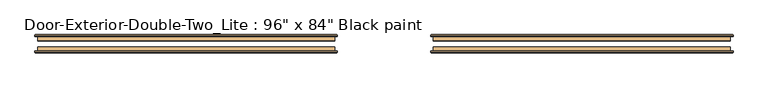
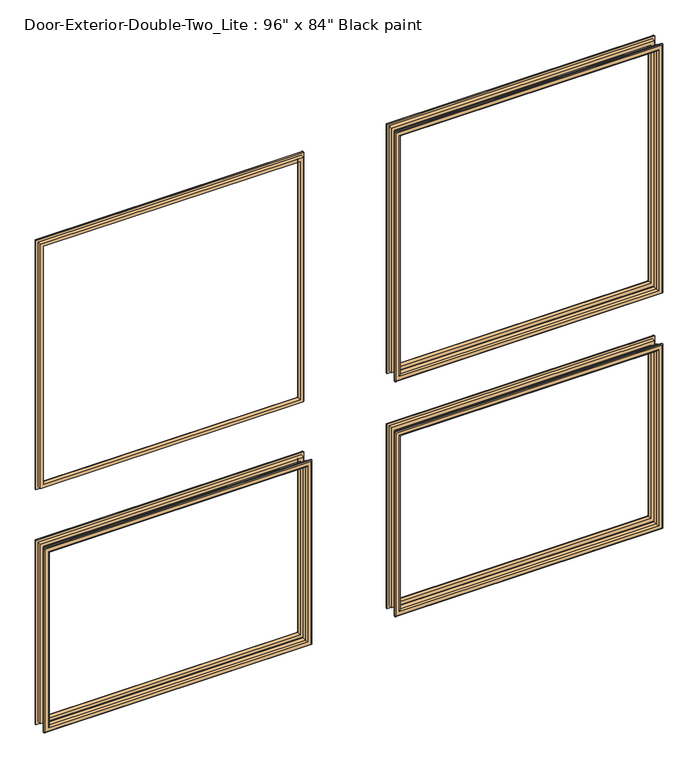
"""IFC4 building model written with IfcOpenShell, lengths in millimetres: door geometry."""

from ifc_helpers import new_model, si_unit, frame, origin, place, context, project, spatial, ellipse_curve, source, transform, mapped, element, save
from ifc_brep_helpers import plane_surface, cylinder_surface, advanced_brep


def door_00a93619(model_context):
    return source(origin(), model_context, "Body", "AdvancedBrep", [
        advanced_brep(
        [(-1066.8, 131.7625, 914.4), (-1066.8, 144.4625, 914.4), (-1066.8, 144.4625, 254.0), (-1066.8, 131.7625, 254.0), (-1054.8, 145.4625, 902.4), (-1054.8, 131.7625, 902.4), (-1054.8, 131.7625, 266.0), (-1054.8, 145.4625, 266.0), (-1059.8, 150.4625, 907.4), (-1059.8, 150.4625, 261.0), (-1074.8, 148.4625, 922.4), (-1072.8, 150.4625, 920.4), (-1072.8, 150.4625, 248.0), (-1074.8, 148.4625, 246.0), (-1074.8, 144.4625, 922.4), (-1074.8, 144.4625, 246.0), (-152.4, 144.4625, 254.0), (-152.4, 131.7625, 254.0), (-164.4, 131.7625, 266.0), (-164.4, 145.4625, 266.0), (-159.4, 150.4625, 261.0), (-146.4, 150.4625, 248.0), (-144.4, 148.4625, 246.0), (-144.4, 144.4625, 246.0), (-152.4, 144.4625, 914.4), (-152.4, 131.7625, 914.4), (-164.4, 131.7625, 902.4), (-164.4, 145.4625, 902.4), (-159.4, 150.4625, 907.4), (-146.4, 150.4625, 920.4), (-144.4, 148.4625, 922.4), (-144.4, 144.4625, 922.4)],
        [
            (0, 1),
            (1, 2),
            (2, 3),
            (3, 0),
            (4, 5),
            (5, 6),
            (6, 7),
            (7, 4),
            (8, 4, ellipse_curve(frame((-1059.8, 145.4625, 907.4), z_axis=(-0.7071067811865475, 0.0, -0.7071067811865475), x_axis=(-0.7071067811865474, 0.0, 0.7071067811865476)), 7.0710678, 5.0)),
            (7, 9, ellipse_curve(frame((-1059.8, 145.4625, 261.0), z_axis=(-0.7071067811865475, 0.0, 0.7071067811865475), x_axis=(0.7071067811865474, 0.0, 0.7071067811865476)), 7.0710678, 5.0)),
            (9, 8),
            (10, 11, ellipse_curve(frame((-1072.8, 148.4625, 920.4), z_axis=(-0.7071067811865475, 0.0, -0.7071067811865475), x_axis=(-0.7071067811865474, 0.0, 0.7071067811865476)), 2.8284271, 2.0)),
            (11, 12),
            (12, 13, ellipse_curve(frame((-1072.8, 148.4625, 248.0), z_axis=(-0.7071067811865475, 0.0, 0.7071067811865475), x_axis=(0.7071067811865474, 0.0, 0.7071067811865476)), 2.8284271, 2.0)),
            (13, 10),
            (14, 10),
            (13, 15),
            (15, 14),
            (2, 16),
            (16, 17),
            (17, 3),
            (6, 18),
            (18, 19),
            (19, 7),
            (19, 20, ellipse_curve(frame((-159.4, 145.4625, 261.0), z_axis=(-0.7071067811865475, 0.0, -0.7071067811865475), x_axis=(-0.7071067811865476, 0.0, 0.7071067811865474)), 7.0710678, 5.0)),
            (20, 9),
            (12, 21),
            (21, 22, ellipse_curve(frame((-146.4, 148.4625, 248.0), z_axis=(-0.7071067811865475, 0.0, -0.7071067811865475), x_axis=(-0.7071067811865476, 0.0, 0.7071067811865474)), 2.8284271, 2.0)),
            (22, 13),
            (22, 23),
            (23, 15),
            (16, 24),
            (24, 25),
            (25, 17),
            (18, 26),
            (26, 27),
            (27, 19),
            (27, 28, ellipse_curve(frame((-159.4, 145.4625, 907.4), z_axis=(0.7071067811865475, 0.0, -0.7071067811865475), x_axis=(-0.7071067811865474, 0.0, -0.7071067811865476)), 7.0710678, 5.0)),
            (28, 20),
            (21, 29),
            (29, 30, ellipse_curve(frame((-146.4, 148.4625, 920.4), z_axis=(0.7071067811865475, 0.0, -0.7071067811865475), x_axis=(-0.7071067811865474, 0.0, -0.7071067811865476)), 2.8284271, 2.0)),
            (30, 22),
            (30, 31),
            (31, 23),
            (31, 14),
            (1, 24),
            (0, 25),
            (5, 26),
            (4, 27),
            (8, 28),
            (11, 29),
            (10, 30),
        ],
        [
            plane_surface(frame((-1066.8, 144.4625, 914.4), z_axis=(-1.0, 0.0, 0.0), x_axis=(0.0, 0.0, -1.0))),
            plane_surface(frame((-1054.8, 131.7625, 902.4), z_axis=(1.0, 0.0, 0.0), x_axis=(0.0, 0.0, -1.0))),
            cylinder_surface(frame((-1059.8, 145.4625, 914.4), z_axis=(0.0, 0.0, 1.0), x_axis=(-1.0, 0.0, 0.0)), 5.0),
            cylinder_surface(frame((-1072.8, 148.4625, 914.4), z_axis=(0.0, 0.0, 1.0), x_axis=(-1.0, 0.0, 0.0)), 2.0),
            plane_surface(frame((-1074.8, 148.4625, 922.4), z_axis=(-1.0, 0.0, 0.0), x_axis=(0.0, 0.0, -1.0))),
            plane_surface(frame((-1066.8, 144.4625, 254.0), z_axis=(0.0, 0.0, -1.0), x_axis=(1.0, 0.0, 0.0))),
            plane_surface(frame((-1054.8, 131.7625, 266.0), z_axis=(0.0, 0.0, 1.0), x_axis=(1.0, 0.0, 0.0))),
            cylinder_surface(frame((-1066.8, 145.4625, 261.0), z_axis=(-1.0, 0.0, 0.0), x_axis=(0.0, 0.0, -1.0)), 5.0),
            cylinder_surface(frame((-1066.8, 148.4625, 248.0), z_axis=(-1.0, 0.0, 0.0), x_axis=(0.0, 0.0, -1.0)), 2.0),
            plane_surface(frame((-1074.8, 148.4625, 246.0), z_axis=(0.0, 0.0, -1.0), x_axis=(1.0, 0.0, 0.0))),
            plane_surface(frame((-152.4, 144.4625, 254.0), z_axis=(1.0, 0.0, 0.0), x_axis=(0.0, 0.0, 1.0))),
            plane_surface(frame((-164.4, 131.7625, 266.0), z_axis=(-1.0, 0.0, 0.0), x_axis=(0.0, 0.0, 1.0))),
            cylinder_surface(frame((-159.4, 145.4625, 254.0), z_axis=(0.0, 0.0, -1.0), x_axis=(1.0, 0.0, 0.0)), 5.0),
            cylinder_surface(frame((-146.4, 148.4625, 254.0), z_axis=(0.0, 0.0, -1.0), x_axis=(1.0, 0.0, 0.0)), 2.0),
            plane_surface(frame((-144.4, 148.4625, 246.0), z_axis=(1.0, 0.0, 0.0), x_axis=(0.0, 0.0, 1.0))),
            plane_surface(frame((-144.4, 144.4625, 922.4), z_axis=(0.0, -1.0, 0.0), x_axis=(-1.0, 0.0, 0.0))),
            plane_surface(frame((-152.4, 144.4625, 914.4), z_axis=(0.0, 0.0, 1.0), x_axis=(-1.0, 0.0, 0.0))),
            plane_surface(frame((-152.4, 131.7625, 914.4), z_axis=(0.0, -1.0, 0.0), x_axis=(-1.0, 0.0, 0.0))),
            plane_surface(frame((-164.4, 131.7625, 902.4), z_axis=(0.0, 0.0, -1.0), x_axis=(-1.0, 0.0, 0.0))),
            cylinder_surface(frame((-152.4, 145.4625, 907.4), z_axis=(1.0, 0.0, 0.0), x_axis=(0.0, 0.0, 1.0)), 5.0),
            plane_surface(frame((-159.4, 150.4625, 907.4), z_axis=(0.0, 1.0, 0.0), x_axis=(-1.0, 0.0, 0.0))),
            cylinder_surface(frame((-152.4, 148.4625, 920.4), z_axis=(1.0, 0.0, 0.0), x_axis=(0.0, 0.0, 1.0)), 2.0),
            plane_surface(frame((-144.4, 148.4625, 922.4), z_axis=(0.0, 0.0, 1.0), x_axis=(-1.0, 0.0, 0.0))),
        ],
        [
            (0, [[1, 2, 3, 4]]),
            (1, [[5, 6, 7, 8]]),
            (2, [[9, -8, 10, 11]]),
            (3, [[12, 13, 14, 15]]),
            (4, [[16, -15, 17, 18]]),
            (5, [[-3, 19, 20, 21]]),
            (6, [[-7, 22, 23, 24]]),
            (7, [[-10, -24, 25, 26]]),
            (8, [[-14, 27, 28, 29]]),
            (9, [[-17, -29, 30, 31]]),
            (10, [[-20, 32, 33, 34]]),
            (11, [[-23, 35, 36, 37]]),
            (12, [[-25, -37, 38, 39]]),
            (13, [[-28, 40, 41, 42]]),
            (14, [[-30, -42, 43, 44]]),
            (15, [[-31, -44, 45, -18], [46, -32, -19, -2]]),
            (16, [[-33, -46, -1, 47]]),
            (17, [[-21, -34, -47, -4], [48, -35, -22, -6]]),
            (18, [[-36, -48, -5, 49]]),
            (19, [[-38, -49, -9, 50]]),
            (20, [[51, -40, -27, -13], [-26, -39, -50, -11]]),
            (21, [[-41, -51, -12, 52]]),
            (22, [[-43, -52, -16, -45]]),
        ],
    ),
        advanced_brep(
        [(152.4, 131.7625, 914.4), (152.4, 144.4625, 914.4), (152.4, 144.4625, 254.0), (152.4, 131.7625, 254.0), (164.4, 145.4625, 902.4), (164.4, 131.7625, 902.4), (164.4, 131.7625, 266.0), (164.4, 145.4625, 266.0), (159.4, 150.4625, 907.4), (159.4, 150.4625, 261.0), (144.4, 148.4625, 922.4), (146.4, 150.4625, 920.4), (146.4, 150.4625, 248.0), (144.4, 148.4625, 246.0), (144.4, 144.4625, 922.4), (144.4, 144.4625, 246.0), (1066.8, 144.4625, 254.0), (1066.8, 131.7625, 254.0), (1054.8, 131.7625, 266.0), (1054.8, 145.4625, 266.0), (1059.8, 150.4625, 261.0), (1072.8, 150.4625, 248.0), (1074.8, 148.4625, 246.0), (1074.8, 144.4625, 246.0), (1066.8, 144.4625, 914.4), (1066.8, 131.7625, 914.4), (1054.8, 131.7625, 902.4), (1054.8, 145.4625, 902.4), (1059.8, 150.4625, 907.4), (1072.8, 150.4625, 920.4), (1074.8, 148.4625, 922.4), (1074.8, 144.4625, 922.4)],
        [
            (0, 1),
            (1, 2),
            (2, 3),
            (3, 0),
            (4, 5),
            (5, 6),
            (6, 7),
            (7, 4),
            (8, 4, ellipse_curve(frame((159.4, 145.4625, 907.4), z_axis=(-0.7071067811865475, 0.0, -0.7071067811865475), x_axis=(-0.7071067811865474, 0.0, 0.7071067811865476)), 7.0710678, 5.0)),
            (7, 9, ellipse_curve(frame((159.4, 145.4625, 261.0), z_axis=(-0.7071067811865475, 0.0, 0.7071067811865475), x_axis=(0.7071067811865474, 0.0, 0.7071067811865476)), 7.0710678, 5.0)),
            (9, 8),
            (10, 11, ellipse_curve(frame((146.4, 148.4625, 920.4), z_axis=(-0.7071067811865475, 0.0, -0.7071067811865475), x_axis=(-0.7071067811865474, 0.0, 0.7071067811865476)), 2.8284271, 2.0)),
            (11, 12),
            (12, 13, ellipse_curve(frame((146.4, 148.4625, 248.0), z_axis=(-0.7071067811865475, 0.0, 0.7071067811865475), x_axis=(0.7071067811865474, 0.0, 0.7071067811865476)), 2.8284271, 2.0)),
            (13, 10),
            (14, 10),
            (13, 15),
            (15, 14),
            (2, 16),
            (16, 17),
            (17, 3),
            (6, 18),
            (18, 19),
            (19, 7),
            (19, 20, ellipse_curve(frame((1059.8, 145.4625, 261.0), z_axis=(-0.7071067811865475, 0.0, -0.7071067811865475), x_axis=(-0.7071067811865476, 0.0, 0.7071067811865474)), 7.0710678, 5.0)),
            (20, 9),
            (12, 21),
            (21, 22, ellipse_curve(frame((1072.8, 148.4625, 248.0), z_axis=(-0.7071067811865475, 0.0, -0.7071067811865475), x_axis=(-0.7071067811865476, 0.0, 0.7071067811865474)), 2.8284271, 2.0)),
            (22, 13),
            (22, 23),
            (23, 15),
            (16, 24),
            (24, 25),
            (25, 17),
            (18, 26),
            (26, 27),
            (27, 19),
            (27, 28, ellipse_curve(frame((1059.8, 145.4625, 907.4), z_axis=(0.7071067811865475, 0.0, -0.7071067811865475), x_axis=(-0.7071067811865474, 0.0, -0.7071067811865476)), 7.0710678, 5.0)),
            (28, 20),
            (21, 29),
            (29, 30, ellipse_curve(frame((1072.8, 148.4625, 920.4), z_axis=(0.7071067811865475, 0.0, -0.7071067811865475), x_axis=(-0.7071067811865474, 0.0, -0.7071067811865476)), 2.8284271, 2.0)),
            (30, 22),
            (30, 31),
            (31, 23),
            (31, 14),
            (1, 24),
            (0, 25),
            (5, 26),
            (4, 27),
            (8, 28),
            (11, 29),
            (10, 30),
        ],
        [
            plane_surface(frame((152.4, 144.4625, 914.4), z_axis=(-1.0, 0.0, 0.0), x_axis=(0.0, 0.0, -1.0))),
            plane_surface(frame((164.4, 131.7625, 902.4), z_axis=(1.0, 0.0, 0.0), x_axis=(0.0, 0.0, -1.0))),
            cylinder_surface(frame((159.4, 145.4625, 914.4), z_axis=(0.0, 0.0, 1.0), x_axis=(-1.0, 0.0, 0.0)), 5.0),
            cylinder_surface(frame((146.4, 148.4625, 914.4), z_axis=(0.0, 0.0, 1.0), x_axis=(-1.0, 0.0, 0.0)), 2.0),
            plane_surface(frame((144.4, 148.4625, 922.4), z_axis=(-1.0, 0.0, 0.0), x_axis=(0.0, 0.0, -1.0))),
            plane_surface(frame((152.4, 144.4625, 254.0), z_axis=(0.0, 0.0, -1.0), x_axis=(1.0, 0.0, 0.0))),
            plane_surface(frame((164.4, 131.7625, 266.0), z_axis=(0.0, 0.0, 1.0), x_axis=(1.0, 0.0, 0.0))),
            cylinder_surface(frame((152.4, 145.4625, 261.0), z_axis=(-1.0, 0.0, 0.0), x_axis=(0.0, 0.0, -1.0)), 5.0),
            cylinder_surface(frame((152.4, 148.4625, 248.0), z_axis=(-1.0, 0.0, 0.0), x_axis=(0.0, 0.0, -1.0)), 2.0),
            plane_surface(frame((144.4, 148.4625, 246.0), z_axis=(0.0, 0.0, -1.0), x_axis=(1.0, 0.0, 0.0))),
            plane_surface(frame((1066.8, 144.4625, 254.0), z_axis=(1.0, 0.0, 0.0), x_axis=(0.0, 0.0, 1.0))),
            plane_surface(frame((1054.8, 131.7625, 266.0), z_axis=(-1.0, 0.0, 0.0), x_axis=(0.0, 0.0, 1.0))),
            cylinder_surface(frame((1059.8, 145.4625, 254.0), z_axis=(0.0, 0.0, -1.0), x_axis=(1.0, 0.0, 0.0)), 5.0),
            cylinder_surface(frame((1072.8, 148.4625, 254.0), z_axis=(0.0, 0.0, -1.0), x_axis=(1.0, 0.0, 0.0)), 2.0),
            plane_surface(frame((1074.8, 148.4625, 246.0), z_axis=(1.0, 0.0, 0.0), x_axis=(0.0, 0.0, 1.0))),
            plane_surface(frame((1074.8, 144.4625, 922.4), z_axis=(0.0, -1.0, 0.0), x_axis=(-1.0, 0.0, 0.0))),
            plane_surface(frame((1066.8, 144.4625, 914.4), z_axis=(0.0, 0.0, 1.0), x_axis=(-1.0, 0.0, 0.0))),
            plane_surface(frame((1066.8, 131.7625, 914.4), z_axis=(0.0, -1.0, 0.0), x_axis=(-1.0, 0.0, 0.0))),
            plane_surface(frame((1054.8, 131.7625, 902.4), z_axis=(0.0, 0.0, -1.0), x_axis=(-1.0, 0.0, 0.0))),
            cylinder_surface(frame((1066.8, 145.4625, 907.4), z_axis=(1.0, 0.0, 0.0), x_axis=(0.0, 0.0, 1.0)), 5.0),
            plane_surface(frame((1059.8, 150.4625, 907.4), z_axis=(0.0, 1.0, 0.0), x_axis=(-1.0, 0.0, 0.0))),
            cylinder_surface(frame((1066.8, 148.4625, 920.4), z_axis=(1.0, 0.0, 0.0), x_axis=(0.0, 0.0, 1.0)), 2.0),
            plane_surface(frame((1074.8, 148.4625, 922.4), z_axis=(0.0, 0.0, 1.0), x_axis=(-1.0, 0.0, 0.0))),
        ],
        [
            (0, [[1, 2, 3, 4]]),
            (1, [[5, 6, 7, 8]]),
            (2, [[9, -8, 10, 11]]),
            (3, [[12, 13, 14, 15]]),
            (4, [[16, -15, 17, 18]]),
            (5, [[-3, 19, 20, 21]]),
            (6, [[-7, 22, 23, 24]]),
            (7, [[-10, -24, 25, 26]]),
            (8, [[-14, 27, 28, 29]]),
            (9, [[-17, -29, 30, 31]]),
            (10, [[-20, 32, 33, 34]]),
            (11, [[-23, 35, 36, 37]]),
            (12, [[-25, -37, 38, 39]]),
            (13, [[-28, 40, 41, 42]]),
            (14, [[-30, -42, 43, 44]]),
            (15, [[-31, -44, 45, -18], [46, -32, -19, -2]]),
            (16, [[-33, -46, -1, 47]]),
            (17, [[-21, -34, -47, -4], [48, -35, -22, -6]]),
            (18, [[-36, -48, -5, 49]]),
            (19, [[-38, -49, -9, 50]]),
            (20, [[51, -40, -27, -13], [-26, -39, -50, -11]]),
            (21, [[-41, -51, -12, 52]]),
            (22, [[-43, -52, -16, -45]]),
        ],
    ),
        advanced_brep(
        [(152.4, 131.7625, 2016.125), (152.4, 144.4625, 2016.125), (152.4, 144.4625, 1117.6), (152.4, 131.7625, 1117.6), (164.4, 145.4625, 2004.125), (164.4, 131.7625, 2004.125), (164.4, 131.7625, 1129.6), (164.4, 145.4625, 1129.6), (159.4, 150.4625, 2009.125), (159.4, 150.4625, 1124.6), (144.4, 148.4625, 2024.125), (146.4, 150.4625, 2022.125), (146.4, 150.4625, 1111.6), (144.4, 148.4625, 1109.6), (144.4, 144.4625, 2024.125), (144.4, 144.4625, 1109.6), (1066.8, 144.4625, 1117.6), (1066.8, 131.7625, 1117.6), (1054.8, 131.7625, 1129.6), (1054.8, 145.4625, 1129.6), (1059.8, 150.4625, 1124.6), (1072.8, 150.4625, 1111.6), (1074.8, 148.4625, 1109.6), (1074.8, 144.4625, 1109.6), (1066.8, 144.4625, 2016.125), (1066.8, 131.7625, 2016.125), (1054.8, 131.7625, 2004.125), (1054.8, 145.4625, 2004.125), (1059.8, 150.4625, 2009.125), (1072.8, 150.4625, 2022.125), (1074.8, 148.4625, 2024.125), (1074.8, 144.4625, 2024.125)],
        [
            (0, 1),
            (1, 2),
            (2, 3),
            (3, 0),
            (4, 5),
            (5, 6),
            (6, 7),
            (7, 4),
            (8, 4, ellipse_curve(frame((159.4, 145.4625, 2009.125), z_axis=(-0.7071067811865475, 0.0, -0.7071067811865475), x_axis=(-0.7071067811865474, 0.0, 0.7071067811865476)), 7.0710678, 5.0)),
            (7, 9, ellipse_curve(frame((159.4, 145.4625, 1124.6), z_axis=(-0.7071067811865475, 0.0, 0.7071067811865475), x_axis=(0.7071067811865474, 0.0, 0.7071067811865476)), 7.0710678, 5.0)),
            (9, 8),
            (10, 11, ellipse_curve(frame((146.4, 148.4625, 2022.125), z_axis=(-0.7071067811865475, 0.0, -0.7071067811865475), x_axis=(-0.7071067811865474, 0.0, 0.7071067811865476)), 2.8284271, 2.0)),
            (11, 12),
            (12, 13, ellipse_curve(frame((146.4, 148.4625, 1111.6), z_axis=(-0.7071067811865475, 0.0, 0.7071067811865475), x_axis=(0.7071067811865474, 0.0, 0.7071067811865476)), 2.8284271, 2.0)),
            (13, 10),
            (14, 10),
            (13, 15),
            (15, 14),
            (2, 16),
            (16, 17),
            (17, 3),
            (6, 18),
            (18, 19),
            (19, 7),
            (19, 20, ellipse_curve(frame((1059.8, 145.4625, 1124.6), z_axis=(-0.7071067811865475, 0.0, -0.7071067811865475), x_axis=(-0.7071067811865476, 0.0, 0.7071067811865474)), 7.0710678, 5.0)),
            (20, 9),
            (12, 21),
            (21, 22, ellipse_curve(frame((1072.8, 148.4625, 1111.6), z_axis=(-0.7071067811865475, 0.0, -0.7071067811865475), x_axis=(-0.7071067811865476, 0.0, 0.7071067811865474)), 2.8284271, 2.0)),
            (22, 13),
            (22, 23),
            (23, 15),
            (16, 24),
            (24, 25),
            (25, 17),
            (18, 26),
            (26, 27),
            (27, 19),
            (27, 28, ellipse_curve(frame((1059.8, 145.4625, 2009.125), z_axis=(0.7071067811865475, 0.0, -0.7071067811865475), x_axis=(-0.7071067811865474, 0.0, -0.7071067811865476)), 7.0710678, 5.0)),
            (28, 20),
            (21, 29),
            (29, 30, ellipse_curve(frame((1072.8, 148.4625, 2022.125), z_axis=(0.7071067811865475, 0.0, -0.7071067811865475), x_axis=(-0.7071067811865474, 0.0, -0.7071067811865476)), 2.8284271, 2.0)),
            (30, 22),
            (30, 31),
            (31, 23),
            (31, 14),
            (1, 24),
            (0, 25),
            (5, 26),
            (4, 27),
            (8, 28),
            (11, 29),
            (10, 30),
        ],
        [
            plane_surface(frame((152.4, 144.4625, 2016.125), z_axis=(-1.0, 0.0, 0.0), x_axis=(0.0, 0.0, -1.0))),
            plane_surface(frame((164.4, 131.7625, 2004.125), z_axis=(1.0, 0.0, 0.0), x_axis=(0.0, 0.0, -1.0))),
            cylinder_surface(frame((159.4, 145.4625, 2016.125), z_axis=(0.0, 0.0, 1.0), x_axis=(-1.0, 0.0, 0.0)), 5.0),
            cylinder_surface(frame((146.4, 148.4625, 2016.125), z_axis=(0.0, 0.0, 1.0), x_axis=(-1.0, 0.0, 0.0)), 2.0),
            plane_surface(frame((144.4, 148.4625, 2024.125), z_axis=(-1.0, 0.0, 0.0), x_axis=(0.0, 0.0, -1.0))),
            plane_surface(frame((152.4, 144.4625, 1117.6), z_axis=(0.0, 0.0, -1.0), x_axis=(1.0, 0.0, 0.0))),
            plane_surface(frame((164.4, 131.7625, 1129.6), z_axis=(0.0, 0.0, 1.0), x_axis=(1.0, 0.0, 0.0))),
            cylinder_surface(frame((152.4, 145.4625, 1124.6), z_axis=(-1.0, 0.0, 0.0), x_axis=(0.0, 0.0, -1.0)), 5.0),
            cylinder_surface(frame((152.4, 148.4625, 1111.6), z_axis=(-1.0, 0.0, 0.0), x_axis=(0.0, 0.0, -1.0)), 2.0),
            plane_surface(frame((144.4, 148.4625, 1109.6), z_axis=(0.0, 0.0, -1.0), x_axis=(1.0, 0.0, 0.0))),
            plane_surface(frame((1066.8, 144.4625, 1117.6), z_axis=(1.0, 0.0, 0.0), x_axis=(0.0, 0.0, 1.0))),
            plane_surface(frame((1054.8, 131.7625, 1129.6), z_axis=(-1.0, 0.0, 0.0), x_axis=(0.0, 0.0, 1.0))),
            cylinder_surface(frame((1059.8, 145.4625, 1117.6), z_axis=(0.0, 0.0, -1.0), x_axis=(1.0, 0.0, 0.0)), 5.0),
            cylinder_surface(frame((1072.8, 148.4625, 1117.6), z_axis=(0.0, 0.0, -1.0), x_axis=(1.0, 0.0, 0.0)), 2.0),
            plane_surface(frame((1074.8, 148.4625, 1109.6), z_axis=(1.0, 0.0, 0.0), x_axis=(0.0, 0.0, 1.0))),
            plane_surface(frame((1074.8, 144.4625, 2024.125), z_axis=(0.0, -1.0, 0.0), x_axis=(-1.0, 0.0, 0.0))),
            plane_surface(frame((1066.8, 144.4625, 2016.125), z_axis=(0.0, 0.0, 1.0), x_axis=(-1.0, 0.0, 0.0))),
            plane_surface(frame((1066.8, 131.7625, 2016.125), z_axis=(0.0, -1.0, 0.0), x_axis=(-1.0, 0.0, 0.0))),
            plane_surface(frame((1054.8, 131.7625, 2004.125), z_axis=(0.0, 0.0, -1.0), x_axis=(-1.0, 0.0, 0.0))),
            cylinder_surface(frame((1066.8, 145.4625, 2009.125), z_axis=(1.0, 0.0, 0.0), x_axis=(0.0, 0.0, 1.0)), 5.0),
            plane_surface(frame((1059.8, 150.4625, 2009.125), z_axis=(0.0, 1.0, 0.0), x_axis=(-1.0, 0.0, 0.0))),
            cylinder_surface(frame((1066.8, 148.4625, 2022.125), z_axis=(1.0, 0.0, 0.0), x_axis=(0.0, 0.0, 1.0)), 2.0),
            plane_surface(frame((1074.8, 148.4625, 2024.125), z_axis=(0.0, 0.0, 1.0), x_axis=(-1.0, 0.0, 0.0))),
        ],
        [
            (0, [[1, 2, 3, 4]]),
            (1, [[5, 6, 7, 8]]),
            (2, [[9, -8, 10, 11]]),
            (3, [[12, 13, 14, 15]]),
            (4, [[16, -15, 17, 18]]),
            (5, [[-3, 19, 20, 21]]),
            (6, [[-7, 22, 23, 24]]),
            (7, [[-10, -24, 25, 26]]),
            (8, [[-14, 27, 28, 29]]),
            (9, [[-17, -29, 30, 31]]),
            (10, [[-20, 32, 33, 34]]),
            (11, [[-23, 35, 36, 37]]),
            (12, [[-25, -37, 38, 39]]),
            (13, [[-28, 40, 41, 42]]),
            (14, [[-30, -42, 43, 44]]),
            (15, [[-31, -44, 45, -18], [46, -32, -19, -2]]),
            (16, [[-33, -46, -1, 47]]),
            (17, [[-21, -34, -47, -4], [48, -35, -22, -6]]),
            (18, [[-36, -48, -5, 49]]),
            (19, [[-38, -49, -9, 50]]),
            (20, [[51, -40, -27, -13], [-26, -39, -50, -11]]),
            (21, [[-41, -51, -12, 52]]),
            (22, [[-43, -52, -16, -45]]),
        ],
    ),
        advanced_brep(
        [(-1066.8, 131.7625, 2016.125), (-1066.8, 144.4625, 2016.125), (-1066.8, 144.4625, 1117.6), (-1066.8, 131.7625, 1117.6), (-1054.8, 145.4625, 2004.125), (-1054.8, 131.7625, 2004.125), (-1054.8, 131.7625, 1129.6), (-1054.8, 145.4625, 1129.6), (-1059.8, 150.4625, 2009.125), (-1059.8, 150.4625, 1124.6), (-1074.8, 148.4625, 2024.125), (-1072.8, 150.4625, 2022.125), (-1072.8, 150.4625, 1111.6), (-1074.8, 148.4625, 1109.6), (-1074.8, 144.4625, 2024.125), (-1074.8, 144.4625, 1109.6), (-152.4, 144.4625, 1117.6), (-152.4, 131.7625, 1117.6), (-164.4, 131.7625, 1129.6), (-164.4, 145.4625, 1129.6), (-159.4, 150.4625, 1124.6), (-146.4, 150.4625, 1111.6), (-144.4, 148.4625, 1109.6), (-144.4, 144.4625, 1109.6), (-152.4, 144.4625, 2016.125), (-152.4, 131.7625, 2016.125), (-164.4, 131.7625, 2004.125), (-164.4, 145.4625, 2004.125), (-159.4, 150.4625, 2009.125), (-146.4, 150.4625, 2022.125), (-144.4, 148.4625, 2024.125), (-144.4, 144.4625, 2024.125)],
        [
            (0, 1),
            (1, 2),
            (2, 3),
            (3, 0),
            (4, 5),
            (5, 6),
            (6, 7),
            (7, 4),
            (8, 4, ellipse_curve(frame((-1059.8, 145.4625, 2009.125), z_axis=(-0.7071067811865475, 0.0, -0.7071067811865475), x_axis=(-0.7071067811865474, 0.0, 0.7071067811865476)), 7.0710678, 5.0)),
            (7, 9, ellipse_curve(frame((-1059.8, 145.4625, 1124.6), z_axis=(-0.7071067811865475, 0.0, 0.7071067811865475), x_axis=(0.7071067811865474, 0.0, 0.7071067811865476)), 7.0710678, 5.0)),
            (9, 8),
            (10, 11, ellipse_curve(frame((-1072.8, 148.4625, 2022.125), z_axis=(-0.7071067811865475, 0.0, -0.7071067811865475), x_axis=(-0.7071067811865474, 0.0, 0.7071067811865476)), 2.8284271, 2.0)),
            (11, 12),
            (12, 13, ellipse_curve(frame((-1072.8, 148.4625, 1111.6), z_axis=(-0.7071067811865475, 0.0, 0.7071067811865475), x_axis=(0.7071067811865474, 0.0, 0.7071067811865476)), 2.8284271, 2.0)),
            (13, 10),
            (14, 10),
            (13, 15),
            (15, 14),
            (2, 16),
            (16, 17),
            (17, 3),
            (6, 18),
            (18, 19),
            (19, 7),
            (19, 20, ellipse_curve(frame((-159.4, 145.4625, 1124.6), z_axis=(-0.7071067811865475, 0.0, -0.7071067811865475), x_axis=(-0.7071067811865476, 0.0, 0.7071067811865474)), 7.0710678, 5.0)),
            (20, 9),
            (12, 21),
            (21, 22, ellipse_curve(frame((-146.4, 148.4625, 1111.6), z_axis=(-0.7071067811865475, 0.0, -0.7071067811865475), x_axis=(-0.7071067811865476, 0.0, 0.7071067811865474)), 2.8284271, 2.0)),
            (22, 13),
            (22, 23),
            (23, 15),
            (16, 24),
            (24, 25),
            (25, 17),
            (18, 26),
            (26, 27),
            (27, 19),
            (27, 28, ellipse_curve(frame((-159.4, 145.4625, 2009.125), z_axis=(0.7071067811865475, 0.0, -0.7071067811865475), x_axis=(-0.7071067811865474, 0.0, -0.7071067811865476)), 7.0710678, 5.0)),
            (28, 20),
            (21, 29),
            (29, 30, ellipse_curve(frame((-146.4, 148.4625, 2022.125), z_axis=(0.7071067811865475, 0.0, -0.7071067811865475), x_axis=(-0.7071067811865474, 0.0, -0.7071067811865476)), 2.8284271, 2.0)),
            (30, 22),
            (30, 31),
            (31, 23),
            (31, 14),
            (1, 24),
            (0, 25),
            (5, 26),
            (4, 27),
            (8, 28),
            (11, 29),
            (10, 30),
        ],
        [
            plane_surface(frame((-1066.8, 144.4625, 2016.125), z_axis=(-1.0, 0.0, 0.0), x_axis=(0.0, 0.0, -1.0))),
            plane_surface(frame((-1054.8, 131.7625, 2004.125), z_axis=(1.0, 0.0, 0.0), x_axis=(0.0, 0.0, -1.0))),
            cylinder_surface(frame((-1059.8, 145.4625, 2016.125), z_axis=(0.0, 0.0, 1.0), x_axis=(-1.0, 0.0, 0.0)), 5.0),
            cylinder_surface(frame((-1072.8, 148.4625, 2016.125), z_axis=(0.0, 0.0, 1.0), x_axis=(-1.0, 0.0, 0.0)), 2.0),
            plane_surface(frame((-1074.8, 148.4625, 2024.125), z_axis=(-1.0, 0.0, 0.0), x_axis=(0.0, 0.0, -1.0))),
            plane_surface(frame((-1066.8, 144.4625, 1117.6), z_axis=(0.0, 0.0, -1.0), x_axis=(1.0, 0.0, 0.0))),
            plane_surface(frame((-1054.8, 131.7625, 1129.6), z_axis=(0.0, 0.0, 1.0), x_axis=(1.0, 0.0, 0.0))),
            cylinder_surface(frame((-1066.8, 145.4625, 1124.6), z_axis=(-1.0, 0.0, 0.0), x_axis=(0.0, 0.0, -1.0)), 5.0),
            cylinder_surface(frame((-1066.8, 148.4625, 1111.6), z_axis=(-1.0, 0.0, 0.0), x_axis=(0.0, 0.0, -1.0)), 2.0),
            plane_surface(frame((-1074.8, 148.4625, 1109.6), z_axis=(0.0, 0.0, -1.0), x_axis=(1.0, 0.0, 0.0))),
            plane_surface(frame((-152.4, 144.4625, 1117.6), z_axis=(1.0, 0.0, 0.0), x_axis=(0.0, 0.0, 1.0))),
            plane_surface(frame((-164.4, 131.7625, 1129.6), z_axis=(-1.0, 0.0, 0.0), x_axis=(0.0, 0.0, 1.0))),
            cylinder_surface(frame((-159.4, 145.4625, 1117.6), z_axis=(0.0, 0.0, -1.0), x_axis=(1.0, 0.0, 0.0)), 5.0),
            cylinder_surface(frame((-146.4, 148.4625, 1117.6), z_axis=(0.0, 0.0, -1.0), x_axis=(1.0, 0.0, 0.0)), 2.0),
            plane_surface(frame((-144.4, 148.4625, 1109.6), z_axis=(1.0, 0.0, 0.0), x_axis=(0.0, 0.0, 1.0))),
            plane_surface(frame((-144.4, 144.4625, 2024.125), z_axis=(0.0, -1.0, 0.0), x_axis=(-1.0, 0.0, 0.0))),
            plane_surface(frame((-152.4, 144.4625, 2016.125), z_axis=(0.0, 0.0, 1.0), x_axis=(-1.0, 0.0, 0.0))),
            plane_surface(frame((-152.4, 131.7625, 2016.125), z_axis=(0.0, -1.0, 0.0), x_axis=(-1.0, 0.0, 0.0))),
            plane_surface(frame((-164.4, 131.7625, 2004.125), z_axis=(0.0, 0.0, -1.0), x_axis=(-1.0, 0.0, 0.0))),
            cylinder_surface(frame((-152.4, 145.4625, 2009.125), z_axis=(1.0, 0.0, 0.0), x_axis=(0.0, 0.0, 1.0)), 5.0),
            plane_surface(frame((-159.4, 150.4625, 2009.125), z_axis=(0.0, 1.0, 0.0), x_axis=(-1.0, 0.0, 0.0))),
            cylinder_surface(frame((-152.4, 148.4625, 2022.125), z_axis=(1.0, 0.0, 0.0), x_axis=(0.0, 0.0, 1.0)), 2.0),
            plane_surface(frame((-144.4, 148.4625, 2024.125), z_axis=(0.0, 0.0, 1.0), x_axis=(-1.0, 0.0, 0.0))),
        ],
        [
            (0, [[1, 2, 3, 4]]),
            (1, [[5, 6, 7, 8]]),
            (2, [[9, -8, 10, 11]]),
            (3, [[12, 13, 14, 15]]),
            (4, [[16, -15, 17, 18]]),
            (5, [[-3, 19, 20, 21]]),
            (6, [[-7, 22, 23, 24]]),
            (7, [[-10, -24, 25, 26]]),
            (8, [[-14, 27, 28, 29]]),
            (9, [[-17, -29, 30, 31]]),
            (10, [[-20, 32, 33, 34]]),
            (11, [[-23, 35, 36, 37]]),
            (12, [[-25, -37, 38, 39]]),
            (13, [[-28, 40, 41, 42]]),
            (14, [[-30, -42, 43, 44]]),
            (15, [[-31, -44, 45, -18], [46, -32, -19, -2]]),
            (16, [[-33, -46, -1, 47]]),
            (17, [[-21, -34, -47, -4], [48, -35, -22, -6]]),
            (18, [[-36, -48, -5, 49]]),
            (19, [[-38, -49, -9, 50]]),
            (20, [[51, -40, -27, -13], [-26, -39, -50, -11]]),
            (21, [[-41, -51, -12, 52]]),
            (22, [[-43, -52, -16, -45]]),
        ],
    ),
        advanced_brep(
        [(-1066.8, 112.7125, 254.0), (-1066.8, 100.0125, 254.0), (-1066.8, 100.0125, 914.4), (-1066.8, 112.7125, 914.4), (-1054.8, 99.0125, 266.0), (-1054.8, 112.7125, 266.0), (-1054.8, 112.7125, 902.4), (-1054.8, 99.0125, 902.4), (-1059.8, 94.0125, 261.0), (-1059.8, 94.0125, 907.4), (-1074.8, 96.0125, 246.0), (-1072.8, 94.0125, 248.0), (-1072.8, 94.0125, 920.4), (-1074.8, 96.0125, 922.4), (-1074.8, 100.0125, 246.0), (-1074.8, 100.0125, 922.4), (-152.4, 100.0125, 914.4), (-152.4, 112.7125, 914.4), (-164.4, 112.7125, 902.4), (-164.4, 99.0125, 902.4), (-159.4, 94.0125, 907.4), (-146.4, 94.0125, 920.4), (-144.4, 96.0125, 922.4), (-144.4, 100.0125, 922.4), (-152.4, 100.0125, 254.0), (-152.4, 112.7125, 254.0), (-164.4, 112.7125, 266.0), (-164.4, 99.0125, 266.0), (-159.4, 94.0125, 261.0), (-146.4, 94.0125, 248.0), (-144.4, 96.0125, 246.0), (-144.4, 100.0125, 246.0)],
        [
            (0, 1),
            (1, 2),
            (2, 3),
            (3, 0),
            (4, 5),
            (5, 6),
            (6, 7),
            (7, 4),
            (8, 4, ellipse_curve(frame((-1059.8, 99.0125, 261.0), z_axis=(-0.7071067811865475, 0.0, 0.7071067811865475), x_axis=(-0.7071067811865474, 0.0, -0.7071067811865476)), 7.0710678, 5.0)),
            (7, 9, ellipse_curve(frame((-1059.8, 99.0125, 907.4), z_axis=(-0.7071067811865475, 0.0, -0.7071067811865475), x_axis=(0.7071067811865474, 0.0, -0.7071067811865476)), 7.0710678, 5.0)),
            (9, 8),
            (10, 11, ellipse_curve(frame((-1072.8, 96.0125, 248.0), z_axis=(-0.7071067811865475, 0.0, 0.7071067811865475), x_axis=(-0.7071067811865474, 0.0, -0.7071067811865476)), 2.8284271, 2.0)),
            (11, 12),
            (12, 13, ellipse_curve(frame((-1072.8, 96.0125, 920.4), z_axis=(-0.7071067811865475, 0.0, -0.7071067811865475), x_axis=(0.7071067811865474, 0.0, -0.7071067811865476)), 2.8284271, 2.0)),
            (13, 10),
            (14, 10),
            (13, 15),
            (15, 14),
            (2, 16),
            (16, 17),
            (17, 3),
            (6, 18),
            (18, 19),
            (19, 7),
            (19, 20, ellipse_curve(frame((-159.4, 99.0125, 907.4), z_axis=(-0.7071067811865475, 0.0, 0.7071067811865475), x_axis=(-0.7071067811865476, 0.0, -0.7071067811865474)), 7.0710678, 5.0)),
            (20, 9),
            (12, 21),
            (21, 22, ellipse_curve(frame((-146.4, 96.0125, 920.4), z_axis=(-0.7071067811865475, 0.0, 0.7071067811865475), x_axis=(-0.7071067811865476, 0.0, -0.7071067811865474)), 2.8284271, 2.0)),
            (22, 13),
            (22, 23),
            (23, 15),
            (16, 24),
            (24, 25),
            (25, 17),
            (18, 26),
            (26, 27),
            (27, 19),
            (27, 28, ellipse_curve(frame((-159.4, 99.0125, 261.0), z_axis=(0.7071067811865475, 0.0, 0.7071067811865475), x_axis=(-0.7071067811865474, 0.0, 0.7071067811865476)), 7.0710678, 5.0)),
            (28, 20),
            (21, 29),
            (29, 30, ellipse_curve(frame((-146.4, 96.0125, 248.0), z_axis=(0.7071067811865475, 0.0, 0.7071067811865475), x_axis=(-0.7071067811865474, 0.0, 0.7071067811865476)), 2.8284271, 2.0)),
            (30, 22),
            (30, 31),
            (31, 23),
            (31, 14),
            (1, 24),
            (0, 25),
            (5, 26),
            (4, 27),
            (8, 28),
            (11, 29),
            (10, 30),
        ],
        [
            plane_surface(frame((-1066.8, 100.0125, 254.0), z_axis=(-1.0, 0.0, 0.0), x_axis=(0.0, 0.0, 1.0))),
            plane_surface(frame((-1054.8, 112.7125, 266.0), z_axis=(1.0, 0.0, 0.0), x_axis=(0.0, 0.0, 1.0))),
            cylinder_surface(frame((-1059.8, 99.0125, 254.0), z_axis=(0.0, 0.0, -1.0), x_axis=(-1.0, 0.0, 0.0)), 5.0),
            cylinder_surface(frame((-1072.8, 96.0125, 254.0), z_axis=(0.0, 0.0, -1.0), x_axis=(-1.0, 0.0, 0.0)), 2.0),
            plane_surface(frame((-1074.8, 96.0125, 246.0), z_axis=(-1.0, 0.0, 0.0), x_axis=(0.0, 0.0, 1.0))),
            plane_surface(frame((-1066.8, 100.0125, 914.4), z_axis=(0.0, 0.0, 1.0), x_axis=(1.0, 0.0, 0.0))),
            plane_surface(frame((-1054.8, 112.7125, 902.4), z_axis=(0.0, 0.0, -1.0), x_axis=(1.0, 0.0, 0.0))),
            cylinder_surface(frame((-1066.8, 99.0125, 907.4), z_axis=(-1.0, 0.0, 0.0), x_axis=(0.0, 0.0, 1.0)), 5.0),
            cylinder_surface(frame((-1066.8, 96.0125, 920.4), z_axis=(-1.0, 0.0, 0.0), x_axis=(0.0, 0.0, 1.0)), 2.0),
            plane_surface(frame((-1074.8, 96.0125, 922.4), z_axis=(0.0, 0.0, 1.0), x_axis=(1.0, 0.0, 0.0))),
            plane_surface(frame((-152.4, 100.0125, 914.4), z_axis=(1.0, 0.0, 0.0), x_axis=(0.0, 0.0, -1.0))),
            plane_surface(frame((-164.4, 112.7125, 902.4), z_axis=(-1.0, 0.0, 0.0), x_axis=(0.0, 0.0, -1.0))),
            cylinder_surface(frame((-159.4, 99.0125, 914.4), z_axis=(0.0, 0.0, 1.0), x_axis=(1.0, 0.0, 0.0)), 5.0),
            cylinder_surface(frame((-146.4, 96.0125, 914.4), z_axis=(0.0, 0.0, 1.0), x_axis=(1.0, 0.0, 0.0)), 2.0),
            plane_surface(frame((-144.4, 96.0125, 922.4), z_axis=(1.0, 0.0, 0.0), x_axis=(0.0, 0.0, -1.0))),
            plane_surface(frame((-144.4, 100.0125, 246.0), z_axis=(0.0, 1.0, 0.0), x_axis=(-1.0, 0.0, 0.0))),
            plane_surface(frame((-152.4, 100.0125, 254.0), z_axis=(0.0, 0.0, -1.0), x_axis=(-1.0, 0.0, 0.0))),
            plane_surface(frame((-152.4, 112.7125, 254.0), z_axis=(0.0, 1.0, 0.0), x_axis=(-1.0, 0.0, 0.0))),
            plane_surface(frame((-164.4, 112.7125, 266.0), z_axis=(0.0, 0.0, 1.0), x_axis=(-1.0, 0.0, 0.0))),
            cylinder_surface(frame((-152.4, 99.0125, 261.0), z_axis=(1.0, 0.0, 0.0), x_axis=(0.0, 0.0, -1.0)), 5.0),
            plane_surface(frame((-159.4, 94.0125, 261.0), z_axis=(0.0, -1.0, 0.0), x_axis=(-1.0, 0.0, 0.0))),
            cylinder_surface(frame((-152.4, 96.0125, 248.0), z_axis=(1.0, 0.0, 0.0), x_axis=(0.0, 0.0, -1.0)), 2.0),
            plane_surface(frame((-144.4, 96.0125, 246.0), z_axis=(0.0, 0.0, -1.0), x_axis=(-1.0, 0.0, 0.0))),
        ],
        [
            (0, [[1, 2, 3, 4]]),
            (1, [[5, 6, 7, 8]]),
            (2, [[9, -8, 10, 11]]),
            (3, [[12, 13, 14, 15]]),
            (4, [[16, -15, 17, 18]]),
            (5, [[-3, 19, 20, 21]]),
            (6, [[-7, 22, 23, 24]]),
            (7, [[-10, -24, 25, 26]]),
            (8, [[-14, 27, 28, 29]]),
            (9, [[-17, -29, 30, 31]]),
            (10, [[-20, 32, 33, 34]]),
            (11, [[-23, 35, 36, 37]]),
            (12, [[-25, -37, 38, 39]]),
            (13, [[-28, 40, 41, 42]]),
            (14, [[-30, -42, 43, 44]]),
            (15, [[-31, -44, 45, -18], [46, -32, -19, -2]]),
            (16, [[-33, -46, -1, 47]]),
            (17, [[-21, -34, -47, -4], [48, -35, -22, -6]]),
            (18, [[-36, -48, -5, 49]]),
            (19, [[-38, -49, -9, 50]]),
            (20, [[51, -40, -27, -13], [-26, -39, -50, -11]]),
            (21, [[-41, -51, -12, 52]]),
            (22, [[-43, -52, -16, -45]]),
        ],
    ),
        advanced_brep(
        [(152.4, 112.7125, 254.0), (152.4, 100.0125, 254.0), (152.4, 100.0125, 914.4), (152.4, 112.7125, 914.4), (164.4, 99.0125, 266.0), (164.4, 112.7125, 266.0), (164.4, 112.7125, 902.4), (164.4, 99.0125, 902.4), (159.4, 94.0125, 261.0), (159.4, 94.0125, 907.4), (144.4, 96.0125, 246.0), (146.4, 94.0125, 248.0), (146.4, 94.0125, 920.4), (144.4, 96.0125, 922.4), (144.4, 100.0125, 246.0), (144.4, 100.0125, 922.4), (1066.8, 100.0125, 914.4), (1066.8, 112.7125, 914.4), (1054.8, 112.7125, 902.4), (1054.8, 99.0125, 902.4), (1059.8, 94.0125, 907.4), (1072.8, 94.0125, 920.4), (1074.8, 96.0125, 922.4), (1074.8, 100.0125, 922.4), (1066.8, 100.0125, 254.0), (1066.8, 112.7125, 254.0), (1054.8, 112.7125, 266.0), (1054.8, 99.0125, 266.0), (1059.8, 94.0125, 261.0), (1072.8, 94.0125, 248.0), (1074.8, 96.0125, 246.0), (1074.8, 100.0125, 246.0)],
        [
            (0, 1),
            (1, 2),
            (2, 3),
            (3, 0),
            (4, 5),
            (5, 6),
            (6, 7),
            (7, 4),
            (8, 4, ellipse_curve(frame((159.4, 99.0125, 261.0), z_axis=(-0.7071067811865475, 0.0, 0.7071067811865475), x_axis=(-0.7071067811865474, 0.0, -0.7071067811865476)), 7.0710678, 5.0)),
            (7, 9, ellipse_curve(frame((159.4, 99.0125, 907.4), z_axis=(-0.7071067811865475, 0.0, -0.7071067811865475), x_axis=(0.7071067811865474, 0.0, -0.7071067811865476)), 7.0710678, 5.0)),
            (9, 8),
            (10, 11, ellipse_curve(frame((146.4, 96.0125, 248.0), z_axis=(-0.7071067811865475, 0.0, 0.7071067811865475), x_axis=(-0.7071067811865474, 0.0, -0.7071067811865476)), 2.8284271, 2.0)),
            (11, 12),
            (12, 13, ellipse_curve(frame((146.4, 96.0125, 920.4), z_axis=(-0.7071067811865475, 0.0, -0.7071067811865475), x_axis=(0.7071067811865474, 0.0, -0.7071067811865476)), 2.8284271, 2.0)),
            (13, 10),
            (14, 10),
            (13, 15),
            (15, 14),
            (2, 16),
            (16, 17),
            (17, 3),
            (6, 18),
            (18, 19),
            (19, 7),
            (19, 20, ellipse_curve(frame((1059.8, 99.0125, 907.4), z_axis=(-0.7071067811865475, 0.0, 0.7071067811865475), x_axis=(-0.7071067811865476, 0.0, -0.7071067811865474)), 7.0710678, 5.0)),
            (20, 9),
            (12, 21),
            (21, 22, ellipse_curve(frame((1072.8, 96.0125, 920.4), z_axis=(-0.7071067811865475, 0.0, 0.7071067811865475), x_axis=(-0.7071067811865476, 0.0, -0.7071067811865474)), 2.8284271, 2.0)),
            (22, 13),
            (22, 23),
            (23, 15),
            (16, 24),
            (24, 25),
            (25, 17),
            (18, 26),
            (26, 27),
            (27, 19),
            (27, 28, ellipse_curve(frame((1059.8, 99.0125, 261.0), z_axis=(0.7071067811865475, 0.0, 0.7071067811865475), x_axis=(-0.7071067811865474, 0.0, 0.7071067811865476)), 7.0710678, 5.0)),
            (28, 20),
            (21, 29),
            (29, 30, ellipse_curve(frame((1072.8, 96.0125, 248.0), z_axis=(0.7071067811865475, 0.0, 0.7071067811865475), x_axis=(-0.7071067811865474, 0.0, 0.7071067811865476)), 2.8284271, 2.0)),
            (30, 22),
            (30, 31),
            (31, 23),
            (31, 14),
            (1, 24),
            (0, 25),
            (5, 26),
            (4, 27),
            (8, 28),
            (11, 29),
            (10, 30),
        ],
        [
            plane_surface(frame((152.4, 100.0125, 254.0), z_axis=(-1.0, 0.0, 0.0), x_axis=(0.0, 0.0, 1.0))),
            plane_surface(frame((164.4, 112.7125, 266.0), z_axis=(1.0, 0.0, 0.0), x_axis=(0.0, 0.0, 1.0))),
            cylinder_surface(frame((159.4, 99.0125, 254.0), z_axis=(0.0, 0.0, -1.0), x_axis=(-1.0, 0.0, 0.0)), 5.0),
            cylinder_surface(frame((146.4, 96.0125, 254.0), z_axis=(0.0, 0.0, -1.0), x_axis=(-1.0, 0.0, 0.0)), 2.0),
            plane_surface(frame((144.4, 96.0125, 246.0), z_axis=(-1.0, 0.0, 0.0), x_axis=(0.0, 0.0, 1.0))),
            plane_surface(frame((152.4, 100.0125, 914.4), z_axis=(0.0, 0.0, 1.0), x_axis=(1.0, 0.0, 0.0))),
            plane_surface(frame((164.4, 112.7125, 902.4), z_axis=(0.0, 0.0, -1.0), x_axis=(1.0, 0.0, 0.0))),
            cylinder_surface(frame((152.4, 99.0125, 907.4), z_axis=(-1.0, 0.0, 0.0), x_axis=(0.0, 0.0, 1.0)), 5.0),
            cylinder_surface(frame((152.4, 96.0125, 920.4), z_axis=(-1.0, 0.0, 0.0), x_axis=(0.0, 0.0, 1.0)), 2.0),
            plane_surface(frame((144.4, 96.0125, 922.4), z_axis=(0.0, 0.0, 1.0), x_axis=(1.0, 0.0, 0.0))),
            plane_surface(frame((1066.8, 100.0125, 914.4), z_axis=(1.0, 0.0, 0.0), x_axis=(0.0, 0.0, -1.0))),
            plane_surface(frame((1054.8, 112.7125, 902.4), z_axis=(-1.0, 0.0, 0.0), x_axis=(0.0, 0.0, -1.0))),
            cylinder_surface(frame((1059.8, 99.0125, 914.4), z_axis=(0.0, 0.0, 1.0), x_axis=(1.0, 0.0, 0.0)), 5.0),
            cylinder_surface(frame((1072.8, 96.0125, 914.4), z_axis=(0.0, 0.0, 1.0), x_axis=(1.0, 0.0, 0.0)), 2.0),
            plane_surface(frame((1074.8, 96.0125, 922.4), z_axis=(1.0, 0.0, 0.0), x_axis=(0.0, 0.0, -1.0))),
            plane_surface(frame((1074.8, 100.0125, 246.0), z_axis=(0.0, 1.0, 0.0), x_axis=(-1.0, 0.0, 0.0))),
            plane_surface(frame((1066.8, 100.0125, 254.0), z_axis=(0.0, 0.0, -1.0), x_axis=(-1.0, 0.0, 0.0))),
            plane_surface(frame((1066.8, 112.7125, 254.0), z_axis=(0.0, 1.0, 0.0), x_axis=(-1.0, 0.0, 0.0))),
            plane_surface(frame((1054.8, 112.7125, 266.0), z_axis=(0.0, 0.0, 1.0), x_axis=(-1.0, 0.0, 0.0))),
            cylinder_surface(frame((1066.8, 99.0125, 261.0), z_axis=(1.0, 0.0, 0.0), x_axis=(0.0, 0.0, -1.0)), 5.0),
            plane_surface(frame((1059.8, 94.0125, 261.0), z_axis=(0.0, -1.0, 0.0), x_axis=(-1.0, 0.0, 0.0))),
            cylinder_surface(frame((1066.8, 96.0125, 248.0), z_axis=(1.0, 0.0, 0.0), x_axis=(0.0, 0.0, -1.0)), 2.0),
            plane_surface(frame((1074.8, 96.0125, 246.0), z_axis=(0.0, 0.0, -1.0), x_axis=(-1.0, 0.0, 0.0))),
        ],
        [
            (0, [[1, 2, 3, 4]]),
            (1, [[5, 6, 7, 8]]),
            (2, [[9, -8, 10, 11]]),
            (3, [[12, 13, 14, 15]]),
            (4, [[16, -15, 17, 18]]),
            (5, [[-3, 19, 20, 21]]),
            (6, [[-7, 22, 23, 24]]),
            (7, [[-10, -24, 25, 26]]),
            (8, [[-14, 27, 28, 29]]),
            (9, [[-17, -29, 30, 31]]),
            (10, [[-20, 32, 33, 34]]),
            (11, [[-23, 35, 36, 37]]),
            (12, [[-25, -37, 38, 39]]),
            (13, [[-28, 40, 41, 42]]),
            (14, [[-30, -42, 43, 44]]),
            (15, [[-31, -44, 45, -18], [46, -32, -19, -2]]),
            (16, [[-33, -46, -1, 47]]),
            (17, [[-21, -34, -47, -4], [48, -35, -22, -6]]),
            (18, [[-36, -48, -5, 49]]),
            (19, [[-38, -49, -9, 50]]),
            (20, [[51, -40, -27, -13], [-26, -39, -50, -11]]),
            (21, [[-41, -51, -12, 52]]),
            (22, [[-43, -52, -16, -45]]),
        ],
    ),
        advanced_brep(
        [(152.4, 112.7125, 1117.6), (152.4, 100.0125, 1117.6), (152.4, 100.0125, 2016.125), (152.4, 112.7125, 2016.125), (164.4, 99.0125, 1129.6), (164.4, 112.7125, 1129.6), (164.4, 112.7125, 2004.125), (164.4, 99.0125, 2004.125), (159.4, 94.0125, 1124.6), (159.4, 94.0125, 2009.125), (144.4, 96.0125, 1109.6), (146.4, 94.0125, 1111.6), (146.4, 94.0125, 2022.125), (144.4, 96.0125, 2024.125), (144.4, 100.0125, 1109.6), (144.4, 100.0125, 2024.125), (1066.8, 100.0125, 2016.125), (1066.8, 112.7125, 2016.125), (1054.8, 112.7125, 2004.125), (1054.8, 99.0125, 2004.125), (1059.8, 94.0125, 2009.125), (1072.8, 94.0125, 2022.125), (1074.8, 96.0125, 2024.125), (1074.8, 100.0125, 2024.125), (1066.8, 100.0125, 1117.6), (1066.8, 112.7125, 1117.6), (1054.8, 112.7125, 1129.6), (1054.8, 99.0125, 1129.6), (1059.8, 94.0125, 1124.6), (1072.8, 94.0125, 1111.6), (1074.8, 96.0125, 1109.6), (1074.8, 100.0125, 1109.6)],
        [
            (0, 1),
            (1, 2),
            (2, 3),
            (3, 0),
            (4, 5),
            (5, 6),
            (6, 7),
            (7, 4),
            (8, 4, ellipse_curve(frame((159.4, 99.0125, 1124.6), z_axis=(-0.7071067811865475, 0.0, 0.7071067811865475), x_axis=(-0.7071067811865474, 0.0, -0.7071067811865476)), 7.0710678, 5.0)),
            (7, 9, ellipse_curve(frame((159.4, 99.0125, 2009.125), z_axis=(-0.7071067811865475, 0.0, -0.7071067811865475), x_axis=(0.7071067811865474, 0.0, -0.7071067811865476)), 7.0710678, 5.0)),
            (9, 8),
            (10, 11, ellipse_curve(frame((146.4, 96.0125, 1111.6), z_axis=(-0.7071067811865475, 0.0, 0.7071067811865475), x_axis=(-0.7071067811865474, 0.0, -0.7071067811865476)), 2.8284271, 2.0)),
            (11, 12),
            (12, 13, ellipse_curve(frame((146.4, 96.0125, 2022.125), z_axis=(-0.7071067811865475, 0.0, -0.7071067811865475), x_axis=(0.7071067811865474, 0.0, -0.7071067811865476)), 2.8284271, 2.0)),
            (13, 10),
            (14, 10),
            (13, 15),
            (15, 14),
            (2, 16),
            (16, 17),
            (17, 3),
            (6, 18),
            (18, 19),
            (19, 7),
            (19, 20, ellipse_curve(frame((1059.8, 99.0125, 2009.125), z_axis=(-0.7071067811865475, 0.0, 0.7071067811865475), x_axis=(-0.7071067811865476, 0.0, -0.7071067811865474)), 7.0710678, 5.0)),
            (20, 9),
            (12, 21),
            (21, 22, ellipse_curve(frame((1072.8, 96.0125, 2022.125), z_axis=(-0.7071067811865475, 0.0, 0.7071067811865475), x_axis=(-0.7071067811865476, 0.0, -0.7071067811865474)), 2.8284271, 2.0)),
            (22, 13),
            (22, 23),
            (23, 15),
            (16, 24),
            (24, 25),
            (25, 17),
            (18, 26),
            (26, 27),
            (27, 19),
            (27, 28, ellipse_curve(frame((1059.8, 99.0125, 1124.6), z_axis=(0.7071067811865475, 0.0, 0.7071067811865475), x_axis=(-0.7071067811865474, 0.0, 0.7071067811865476)), 7.0710678, 5.0)),
            (28, 20),
            (21, 29),
            (29, 30, ellipse_curve(frame((1072.8, 96.0125, 1111.6), z_axis=(0.7071067811865475, 0.0, 0.7071067811865475), x_axis=(-0.7071067811865474, 0.0, 0.7071067811865476)), 2.8284271, 2.0)),
            (30, 22),
            (30, 31),
            (31, 23),
            (31, 14),
            (1, 24),
            (0, 25),
            (5, 26),
            (4, 27),
            (8, 28),
            (11, 29),
            (10, 30),
        ],
        [
            plane_surface(frame((152.4, 100.0125, 1117.6), z_axis=(-1.0, 0.0, 0.0), x_axis=(0.0, 0.0, 1.0))),
            plane_surface(frame((164.4, 112.7125, 1129.6), z_axis=(1.0, 0.0, 0.0), x_axis=(0.0, 0.0, 1.0))),
            cylinder_surface(frame((159.4, 99.0125, 1117.6), z_axis=(0.0, 0.0, -1.0), x_axis=(-1.0, 0.0, 0.0)), 5.0),
            cylinder_surface(frame((146.4, 96.0125, 1117.6), z_axis=(0.0, 0.0, -1.0), x_axis=(-1.0, 0.0, 0.0)), 2.0),
            plane_surface(frame((144.4, 96.0125, 1109.6), z_axis=(-1.0, 0.0, 0.0), x_axis=(0.0, 0.0, 1.0))),
            plane_surface(frame((152.4, 100.0125, 2016.125), z_axis=(0.0, 0.0, 1.0), x_axis=(1.0, 0.0, 0.0))),
            plane_surface(frame((164.4, 112.7125, 2004.125), z_axis=(0.0, 0.0, -1.0), x_axis=(1.0, 0.0, 0.0))),
            cylinder_surface(frame((152.4, 99.0125, 2009.125), z_axis=(-1.0, 0.0, 0.0), x_axis=(0.0, 0.0, 1.0)), 5.0),
            cylinder_surface(frame((152.4, 96.0125, 2022.125), z_axis=(-1.0, 0.0, 0.0), x_axis=(0.0, 0.0, 1.0)), 2.0),
            plane_surface(frame((144.4, 96.0125, 2024.125), z_axis=(0.0, 0.0, 1.0), x_axis=(1.0, 0.0, 0.0))),
            plane_surface(frame((1066.8, 100.0125, 2016.125), z_axis=(1.0, 0.0, 0.0), x_axis=(0.0, 0.0, -1.0))),
            plane_surface(frame((1054.8, 112.7125, 2004.125), z_axis=(-1.0, 0.0, 0.0), x_axis=(0.0, 0.0, -1.0))),
            cylinder_surface(frame((1059.8, 99.0125, 2016.125), z_axis=(0.0, 0.0, 1.0), x_axis=(1.0, 0.0, 0.0)), 5.0),
            cylinder_surface(frame((1072.8, 96.0125, 2016.125), z_axis=(0.0, 0.0, 1.0), x_axis=(1.0, 0.0, 0.0)), 2.0),
            plane_surface(frame((1074.8, 96.0125, 2024.125), z_axis=(1.0, 0.0, 0.0), x_axis=(0.0, 0.0, -1.0))),
            plane_surface(frame((1074.8, 100.0125, 1109.6), z_axis=(0.0, 1.0, 0.0), x_axis=(-1.0, 0.0, 0.0))),
            plane_surface(frame((1066.8, 100.0125, 1117.6), z_axis=(0.0, 0.0, -1.0), x_axis=(-1.0, 0.0, 0.0))),
            plane_surface(frame((1066.8, 112.7125, 1117.6), z_axis=(0.0, 1.0, 0.0), x_axis=(-1.0, 0.0, 0.0))),
            plane_surface(frame((1054.8, 112.7125, 1129.6), z_axis=(0.0, 0.0, 1.0), x_axis=(-1.0, 0.0, 0.0))),
            cylinder_surface(frame((1066.8, 99.0125, 1124.6), z_axis=(1.0, 0.0, 0.0), x_axis=(0.0, 0.0, -1.0)), 5.0),
            plane_surface(frame((1059.8, 94.0125, 1124.6), z_axis=(0.0, -1.0, 0.0), x_axis=(-1.0, 0.0, 0.0))),
            cylinder_surface(frame((1066.8, 96.0125, 1111.6), z_axis=(1.0, 0.0, 0.0), x_axis=(0.0, 0.0, -1.0)), 2.0),
            plane_surface(frame((1074.8, 96.0125, 1109.6), z_axis=(0.0, 0.0, -1.0), x_axis=(-1.0, 0.0, 0.0))),
        ],
        [
            (0, [[1, 2, 3, 4]]),
            (1, [[5, 6, 7, 8]]),
            (2, [[9, -8, 10, 11]]),
            (3, [[12, 13, 14, 15]]),
            (4, [[16, -15, 17, 18]]),
            (5, [[-3, 19, 20, 21]]),
            (6, [[-7, 22, 23, 24]]),
            (7, [[-10, -24, 25, 26]]),
            (8, [[-14, 27, 28, 29]]),
            (9, [[-17, -29, 30, 31]]),
            (10, [[-20, 32, 33, 34]]),
            (11, [[-23, 35, 36, 37]]),
            (12, [[-25, -37, 38, 39]]),
            (13, [[-28, 40, 41, 42]]),
            (14, [[-30, -42, 43, 44]]),
            (15, [[-31, -44, 45, -18], [46, -32, -19, -2]]),
            (16, [[-33, -46, -1, 47]]),
            (17, [[-21, -34, -47, -4], [48, -35, -22, -6]]),
            (18, [[-36, -48, -5, 49]]),
            (19, [[-38, -49, -9, 50]]),
            (20, [[51, -40, -27, -13], [-26, -39, -50, -11]]),
            (21, [[-41, -51, -12, 52]]),
            (22, [[-43, -52, -16, -45]]),
        ],
    ),
    ])


if __name__ == "__main__":
    model = new_model("IFC4")
    model_context = context("Model", 3, world=origin())
    ifc_project = project(units=[si_unit("LENGTHUNIT", "METRE", prefix="MILLI")], contexts=[model_context])
    site = spatial("IfcSite", under=ifc_project)
    building = spatial("IfcBuilding", under=site)
    placement = place(None, origin())
    door_shape = door_00a93619(model_context)
    element("IfcDoor", 1, ObjectType="Door-Exterior-Double-Two_Lite : 96\" x 84\" Black paint", at=placement, inside=building, context=model_context, shape_type="MappedRepresentation", body=[
        mapped(door_shape, transform((0.0, 0.0, 0.0), x_axis=(1.0, 0.0, 0.0), y_axis=(0.0, 1.0, 0.0), z_axis=(0.0, 0.0, 1.0))),
    ])
    save(model, "model.ifc")
